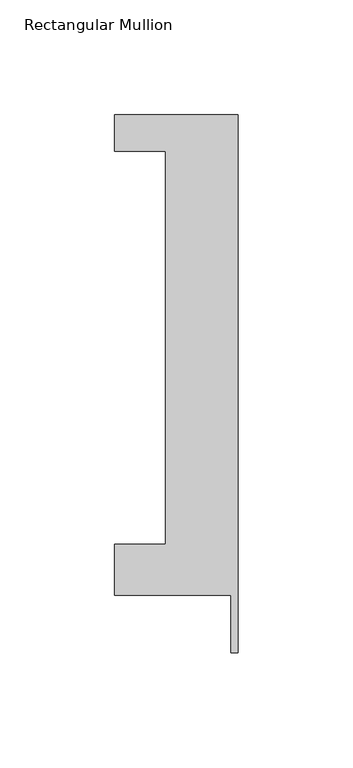
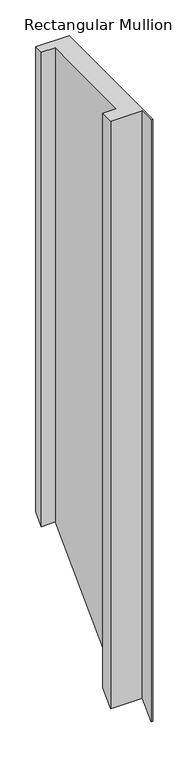
"""IFC4 building model written with IfcOpenShell, lengths in millimetres: member geometry, Rectangular Mullion."""

import ifcopenshell
import ifcopenshell.guid

model = None  # the IFC model being written
_history = None  # IfcOwnerHistory: only IFC2X3 demands one
_inside = {}  # id of a spatial element -> (the spatial element, [elements in it])
_under = {}  # id of a project, library or spatial element -> (it, [spatial elements below it])
_declared = {}  # id of a project -> (the project, [libraries it declares])
_typed = {}  # id of a type object -> (the type object, [elements of that type])
_made_of = {}  # id of a material, layer set ... -> (it, [elements and type objects made of it])


def new_model(schema):
    """Start an empty IFC model of exactly this schema.

    Asked for "IFC4X3", IfcOpenShell would pick the latest addendum, in which some entities
    have other attributes; the version numbers below select the first issue.
    IFC2X3 requires an IfcOwnerHistory on every rooted entity: one is made here for all.
    """
    global model, _history
    if schema == "IFC4X3":
        model = ifcopenshell.file(schema_version=(4, 3, 0, 0))
    else:
        model = ifcopenshell.file(schema=schema)
    _inside.clear()
    _under.clear()
    _declared.clear()
    _typed.clear()
    _made_of.clear()
    _history = None
    if model.schema == "IFC2X3":
        org = make("IfcOrganization", Name="unknown")
        user = make(
            "IfcPersonAndOrganization",
            ThePerson=make("IfcPerson", FamilyName="unknown"),
            TheOrganization=org,
        )
        app = make(
            "IfcApplication",
            ApplicationDeveloper=org,
            Version="unknown",
            ApplicationFullName="unknown",
            ApplicationIdentifier="unknown",
        )
        _history = make(
            "IfcOwnerHistory",
            OwningUser=user,
            OwningApplication=app,
            ChangeAction="ADDED",
            CreationDate=0,
        )
    return model


def make(cls, **values):
    """One entity of the class cls with the attributes given. An attribute that is None is left unset."""
    return model.create_entity(
        cls, **{name: value for name, value in values.items() if value is not None}
    )


def rooted(cls, **values):
    """An entity with a GlobalId (a new one), such as an element, a storey or a relation."""
    return make(cls, GlobalId=ifcopenshell.guid.new(), OwnerHistory=_history, **values)


def si_unit(unit_type, name, prefix=None):
    """IfcSIUnit, for example si_unit("LENGTHUNIT", "METRE", prefix="MILLI")."""
    return make("IfcSIUnit", UnitType=unit_type, Prefix=prefix, Name=name)


def assignment(units):
    """IfcUnitAssignment: the units of a project."""
    return None if units is None else make("IfcUnitAssignment", Units=units)


def point(xyz):
    """IfcCartesianPoint."""
    return None if xyz is None else make("IfcCartesianPoint", Coordinates=xyz)


def direction(xyz):
    """IfcDirection."""
    return None if xyz is None else make("IfcDirection", DirectionRatios=xyz)


def frame(location, z_axis=None, x_axis=None):
    """IfcAxis2Placement3D, a coordinate frame: its origin and axes. An axis left out is left unset."""
    return make(
        "IfcAxis2Placement3D",
        Location=point(location),
        Axis=direction(z_axis),
        RefDirection=direction(x_axis),
    )


def origin():
    """The frame at (0, 0, 0) with its axes left unset."""
    return frame((0.0, 0.0, 0.0))


def place(relative_to, where):
    """IfcLocalPlacement: puts the frame where relative to a parent placement (None: the world)."""
    return make(
        "IfcLocalPlacement", PlacementRelTo=relative_to, RelativePlacement=where
    )


def context(
    kind, dimensions, precision=None, world=None, true_north=None, identifier=None
):
    """IfcGeometricRepresentationContext, for example the 3D "Model" context."""
    return make(
        "IfcGeometricRepresentationContext",
        ContextIdentifier=identifier,
        ContextType=kind,
        CoordinateSpaceDimension=dimensions,
        Precision=precision,
        WorldCoordinateSystem=world,
        TrueNorth=true_north,
    )


def project(units=None, contexts=None):
    """IfcProject with its units and contexts."""
    return rooted(
        "IfcProject",
        Name="project",
        RepresentationContexts=contexts,
        UnitsInContext=assignment(units),
    )


def spatial(cls, under=None, at=None, **own):
    """A site, building, storey or space (cls), placed at a placement, below another one or the project."""
    s = rooted(cls, ObjectPlacement=at, **own)
    if under is not None:
        _under.setdefault(under.id(), (under, []))[1].append(s)
    return s


def faces_of(points, faces, orient=None, outer=None):
    """IfcFace entities. A face is a list of loops; a loop is a list of indices into points, from 0.

    orient and outer hold one flag for each loop. By default every Orientation is true, the
    first loop of a face is its IfcFaceOuterBound and the others are IfcFaceBound.
    """
    made = []
    for i, loops in enumerate(faces):
        bounds = []
        for j, loop in enumerate(loops):
            is_outer = j == 0 if outer is None else outer[i][j]
            bounds.append(
                make(
                    "IfcFaceOuterBound" if is_outer else "IfcFaceBound",
                    Bound=make("IfcPolyLoop", Polygon=[points[k] for k in loop]),
                    Orientation=True if orient is None else orient[i][j],
                )
            )
        made.append(make("IfcFace", Bounds=bounds))
    return made


def faceted_brep(points, faces, orient=None, outer=None, voids=None):
    """IfcFacetedBrep: a solid bounded by flat faces; with voids (closed shells), ...WithVoids."""
    shared = [point(p) for p in points]
    hull = make("IfcClosedShell", CfsFaces=faces_of(shared, faces, orient, outer))
    if voids is None:
        return make("IfcFacetedBrep", Outer=hull)
    return make(
        "IfcFacetedBrepWithVoids",
        Outer=hull,
        Voids=[
            make(cls, CfsFaces=faces_of(shared, fs, o, b)) for cls, fs, o, b in voids
        ],
    )


def shape(context_of_items, identifier, shape_type, items):
    """IfcShapeRepresentation: the items that make up one representation, for example the "Body"."""
    return make(
        "IfcShapeRepresentation",
        ContextOfItems=context_of_items,
        RepresentationIdentifier=identifier,
        RepresentationType=shape_type,
        Items=items,
    )


def source(mapping_origin, context_of_items, identifier, shape_type, items):
    """IfcRepresentationMap: a shape defined once, which mapped items show again and again."""
    return make(
        "IfcRepresentationMap",
        MappingOrigin=mapping_origin,
        MappedRepresentation=shape(context_of_items, identifier, shape_type, items),
    )


def transform(
    local_origin,
    x_axis=None,
    y_axis=None,
    z_axis=None,
    scale=None,
    scale2=None,
    scale3=None,
    uniform=True,
):
    """IfcCartesianTransformationOperator3D, or its non-uniform kind. x_axis, y_axis, z_axis: its Axis1, 2, 3."""
    if uniform:
        return make(
            "IfcCartesianTransformationOperator3D",
            Axis1=direction(x_axis),
            Axis2=direction(y_axis),
            LocalOrigin=point(local_origin),
            Scale=scale,
            Axis3=direction(z_axis),
        )
    return make(
        "IfcCartesianTransformationOperator3DnonUniform",
        Axis1=direction(x_axis),
        Axis2=direction(y_axis),
        LocalOrigin=point(local_origin),
        Scale=scale,
        Axis3=direction(z_axis),
        Scale2=scale2,
        Scale3=scale3,
    )


def mapped(mapping_source, mapping_target):
    """IfcMappedItem: shows the shape of a source again, moved by a transform."""
    return make(
        "IfcMappedItem", MappingSource=mapping_source, MappingTarget=mapping_target
    )


def made_of(thing, what):
    """Note that an element or type object is made of a material, layer set ...; save() writes the relation."""
    if what is not None:
        _made_of.setdefault(what.id(), (what, []))[1].append(thing)
    return thing


def element(
    cls,
    number,
    at=None,
    inside=None,
    cuts=None,
    type_object=None,
    material=None,
    context=None,
    identifier="Body",
    shape_type=None,
    held_by="IfcProductDefinitionShape",
    body=None,
    shapes=None,
    **own,
):
    """One element of the class cls, such as IfcWall. Its Tag is "e" and its number.

    at: its placement. inside: the storey or other place that contains it. cuts: it is an
    opening in that element (IfcRelVoidsElement). A single representation is given by context,
    identifier, shape_type and body (its items); several are given by shapes. held_by: the class
    of the entity that holds the representations. save() writes the other relations.
    """
    e = rooted(cls, Tag="e%d" % number, ObjectPlacement=at, **own)
    if body is not None:
        shapes = [shape(context, identifier, shape_type, body)]
    if shapes is not None:
        e.Representation = make(held_by, Representations=shapes)
    if inside is not None:
        _inside.setdefault(inside.id(), (inside, []))[1].append(e)
    if cuts is not None:
        rooted(
            "IfcRelVoidsElement", RelatingBuildingElement=cuts, RelatedOpeningElement=e
        )
    if type_object is not None:
        _typed.setdefault(type_object.id(), (type_object, []))[1].append(e)
    return made_of(e, material)


def aggregate(whole, parts):
    """IfcRelAggregates: a whole, such as a stair, and the parts it consists of."""
    return rooted("IfcRelAggregates", RelatingObject=whole, RelatedObjects=parts)


def save(model, path):
    """Write the relations noted so far, then the file.

    IfcRelAggregates (storeys below a building ...), IfcRelContainedInSpatialStructure (elements
    in a storey), IfcRelDefinesByType, IfcRelAssociatesMaterial and IfcRelDeclares: one each for
    every whole, place, type object, material and project.
    """
    for whole, parts in _under.values():
        aggregate(whole, parts)
    for where, things in _inside.values():
        rooted(
            "IfcRelContainedInSpatialStructure",
            RelatedElements=things,
            RelatingStructure=where,
        )
    for kind, things in _typed.values():
        rooted("IfcRelDefinesByType", RelatedObjects=things, RelatingType=kind)
    for what, things in _made_of.values():
        rooted("IfcRelAssociatesMaterial", RelatedObjects=things, RelatingMaterial=what)
    for by, libraries in _declared.values():
        rooted("IfcRelDeclares", RelatingContext=by, RelatedDefinitions=libraries)
    model.write(path)


def rectangular_mullion_f58ade31(model_context):
    return source(origin(), model_context, "Body", "Brep", [
        faceted_brep([(-53.975, 221.996, 0.0), (-53.975, 206.121, 0.0), (-31.75, 206.121, 0.0), (-31.75, 34.671, 0.0), (-53.975, 34.671, 0.0), (-53.975, 12.446, 0.0), (-3.175, 12.446, 0.0), (-3.175, -12.7, 0.0), (0.0, -12.7, 0.0), (0.0, 221.996, 0.0), (-53.975, 221.996, -794.004), (-53.975, 206.121, -809.879), (-31.75, 206.121, -809.879), (-31.75, 34.671, -981.329), (-53.975, 34.671, -981.329), (-53.975, 12.446, -1003.554), (-3.175, 12.446, -1003.554), (-3.175, -12.7, -1028.7), (0.0, -12.7, -1028.7), (0.0, 221.996, -794.004)], [[[0, 1, 2, 3, 4, 5, 6, 7, 8, 9]], [[1, 0, 10, 11]], [[2, 1, 11, 12]], [[3, 2, 12, 13]], [[4, 3, 13, 14]], [[5, 4, 14, 15]], [[6, 5, 15, 16]], [[7, 6, 16, 17]], [[8, 7, 17, 18]], [[9, 8, 18, 19]], [[0, 9, 19, 10]], [[10, 19, 18, 17, 16, 15, 14, 13, 12, 11]]]),
    ])


if __name__ == "__main__":
    model = new_model("IFC4")
    model_context = context("Model", 3, world=origin())
    ifc_project = project(units=[si_unit("LENGTHUNIT", "METRE", prefix="MILLI")], contexts=[model_context])
    site = spatial("IfcSite", under=ifc_project)
    building = spatial("IfcBuilding", under=site)
    placement = place(None, origin())
    rectangular_mullion_shape = rectangular_mullion_f58ade31(model_context)
    element("IfcMember", 1, ObjectType="Rectangular Mullion", at=placement, inside=building, context=model_context, shape_type="MappedRepresentation", body=[
        mapped(rectangular_mullion_shape, transform((0.0, 0.0, 0.0), x_axis=(1.0, 0.0, 0.0), y_axis=(0.0, 1.0, 0.0), z_axis=(0.0, 0.0, 1.0))),
    ])
    save(model, "model.ifc")
